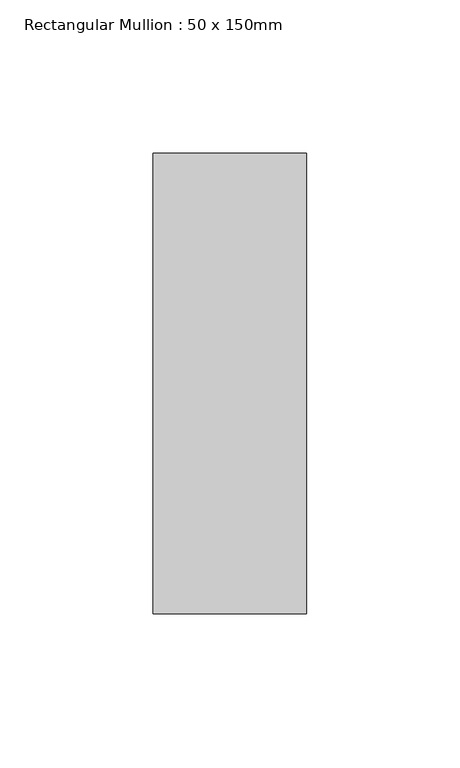
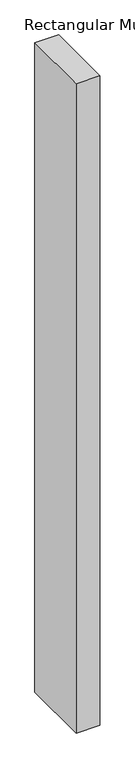
"""IFC4 building model written with IfcOpenShell, lengths in millimetres: member geometry, Rectangular Mullion : 50 x 150mm."""

from ifc_helpers import new_model, si_unit, frame, origin, place, context, project, spatial, polyline, outline, extrude, source, transform, mapped, element, save


def rectangular_mullion_50_x_150mm_644d0965(model_context):
    return source(origin(), model_context, "Body", "SweptSolid", [
        extrude(outline(polyline([(25.0, 75.0), (25.0, -75.0), (-25.0, -75.0), (-25.0, 75.0), (25.0, 75.0)])), frame((0.0, 0.0, -1441.7121727), z_axis=(0.0, 0.0, 1.0), x_axis=(1.0, 0.0, 0.0)), (0.0, 0.0, 1.0), 1441.7121727),
    ])


if __name__ == "__main__":
    model = new_model("IFC4")
    model_context = context("Model", 3, world=origin())
    ifc_project = project(units=[si_unit("LENGTHUNIT", "METRE", prefix="MILLI")], contexts=[model_context])
    site = spatial("IfcSite", under=ifc_project)
    building = spatial("IfcBuilding", under=site)
    placement = place(None, origin())
    rectangular_mullion_50_x_150mm_shape = rectangular_mullion_50_x_150mm_644d0965(model_context)
    element("IfcMember", 1, ObjectType="Rectangular Mullion : 50 x 150mm", at=placement, inside=building, context=model_context, shape_type="MappedRepresentation", body=[
        mapped(rectangular_mullion_50_x_150mm_shape, transform((0.0, 0.0, 0.0), x_axis=(1.0, 0.0, 0.0), y_axis=(0.0, 1.0, 0.0), z_axis=(0.0, 0.0, 1.0))),
    ])
    save(model, "model.ifc")
